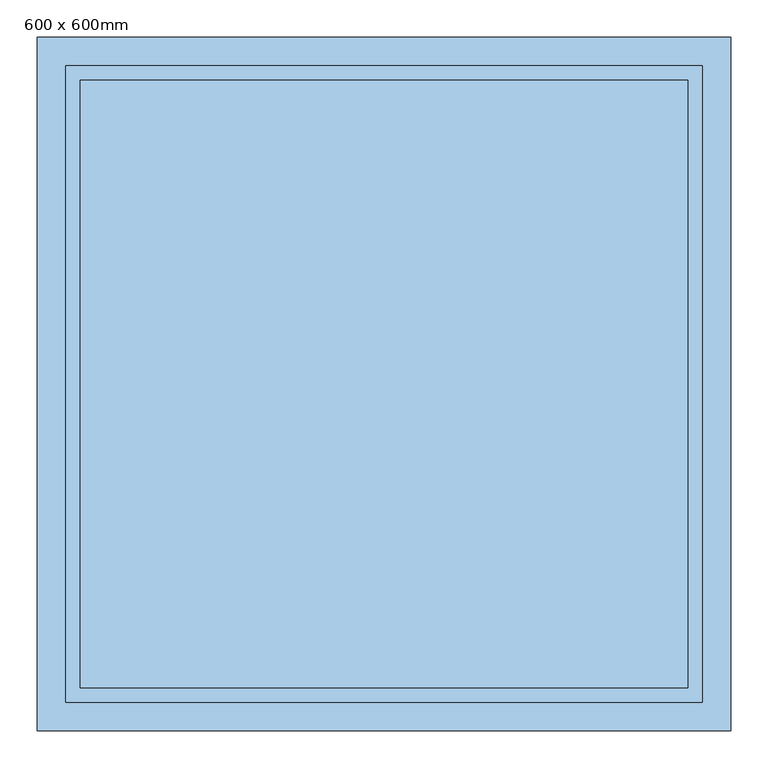
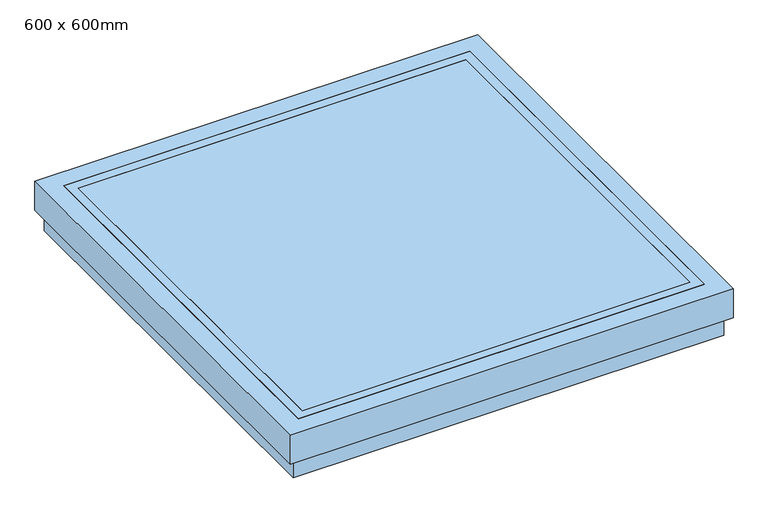
"""IFC4 building model written with IfcOpenShell, lengths in millimetres: window geometry, 600 x 600mm."""

import ifcopenshell
import ifcopenshell.guid

model = None  # the IFC model being written
_history = None  # IfcOwnerHistory: only IFC2X3 demands one
_inside = {}  # id of a spatial element -> (the spatial element, [elements in it])
_under = {}  # id of a project, library or spatial element -> (it, [spatial elements below it])
_declared = {}  # id of a project -> (the project, [libraries it declares])
_typed = {}  # id of a type object -> (the type object, [elements of that type])
_made_of = {}  # id of a material, layer set ... -> (it, [elements and type objects made of it])


def new_model(schema):
    """Start an empty IFC model of exactly this schema.

    Asked for "IFC4X3", IfcOpenShell would pick the latest addendum, in which some entities
    have other attributes; the version numbers below select the first issue.
    IFC2X3 requires an IfcOwnerHistory on every rooted entity: one is made here for all.
    """
    global model, _history
    if schema == "IFC4X3":
        model = ifcopenshell.file(schema_version=(4, 3, 0, 0))
    else:
        model = ifcopenshell.file(schema=schema)
    _inside.clear()
    _under.clear()
    _declared.clear()
    _typed.clear()
    _made_of.clear()
    _history = None
    if model.schema == "IFC2X3":
        org = make("IfcOrganization", Name="unknown")
        user = make(
            "IfcPersonAndOrganization",
            ThePerson=make("IfcPerson", FamilyName="unknown"),
            TheOrganization=org,
        )
        app = make(
            "IfcApplication",
            ApplicationDeveloper=org,
            Version="unknown",
            ApplicationFullName="unknown",
            ApplicationIdentifier="unknown",
        )
        _history = make(
            "IfcOwnerHistory",
            OwningUser=user,
            OwningApplication=app,
            ChangeAction="ADDED",
            CreationDate=0,
        )
    return model


def make(cls, **values):
    """One entity of the class cls with the attributes given. An attribute that is None is left unset."""
    return model.create_entity(
        cls, **{name: value for name, value in values.items() if value is not None}
    )


def rooted(cls, **values):
    """An entity with a GlobalId (a new one), such as an element, a storey or a relation."""
    return make(cls, GlobalId=ifcopenshell.guid.new(), OwnerHistory=_history, **values)


def si_unit(unit_type, name, prefix=None):
    """IfcSIUnit, for example si_unit("LENGTHUNIT", "METRE", prefix="MILLI")."""
    return make("IfcSIUnit", UnitType=unit_type, Prefix=prefix, Name=name)


def assignment(units):
    """IfcUnitAssignment: the units of a project."""
    return None if units is None else make("IfcUnitAssignment", Units=units)


def point(xyz):
    """IfcCartesianPoint."""
    return None if xyz is None else make("IfcCartesianPoint", Coordinates=xyz)


def direction(xyz):
    """IfcDirection."""
    return None if xyz is None else make("IfcDirection", DirectionRatios=xyz)


def frame(location, z_axis=None, x_axis=None):
    """IfcAxis2Placement3D, a coordinate frame: its origin and axes. An axis left out is left unset."""
    return make(
        "IfcAxis2Placement3D",
        Location=point(location),
        Axis=direction(z_axis),
        RefDirection=direction(x_axis),
    )


def origin():
    """The frame at (0, 0, 0) with its axes left unset."""
    return frame((0.0, 0.0, 0.0))


def place(relative_to, where):
    """IfcLocalPlacement: puts the frame where relative to a parent placement (None: the world)."""
    return make(
        "IfcLocalPlacement", PlacementRelTo=relative_to, RelativePlacement=where
    )


def context(
    kind, dimensions, precision=None, world=None, true_north=None, identifier=None
):
    """IfcGeometricRepresentationContext, for example the 3D "Model" context."""
    return make(
        "IfcGeometricRepresentationContext",
        ContextIdentifier=identifier,
        ContextType=kind,
        CoordinateSpaceDimension=dimensions,
        Precision=precision,
        WorldCoordinateSystem=world,
        TrueNorth=true_north,
    )


def project(units=None, contexts=None):
    """IfcProject with its units and contexts."""
    return rooted(
        "IfcProject",
        Name="project",
        RepresentationContexts=contexts,
        UnitsInContext=assignment(units),
    )


def spatial(cls, under=None, at=None, **own):
    """A site, building, storey or space (cls), placed at a placement, below another one or the project."""
    s = rooted(cls, ObjectPlacement=at, **own)
    if under is not None:
        _under.setdefault(under.id(), (under, []))[1].append(s)
    return s


def polyline(points):
    """IfcPolyline through the points."""
    return make("IfcPolyline", Points=[point(p) for p in points])


def outline(outer, holes=None, kind="AREA"):
    """IfcArbitraryClosedProfileDef: a profile drawn as a closed curve; with holes, ...WithVoids."""
    if holes is None:
        return make("IfcArbitraryClosedProfileDef", ProfileType=kind, OuterCurve=outer)
    return make(
        "IfcArbitraryProfileDefWithVoids",
        ProfileType=kind,
        OuterCurve=outer,
        InnerCurves=holes,
    )


def extrude(swept, where, along, depth):
    """IfcExtrudedAreaSolid: the profile swept, set in the frame where, extruded along a direction by depth."""
    return make(
        "IfcExtrudedAreaSolid",
        SweptArea=swept,
        Position=where,
        ExtrudedDirection=direction(along),
        Depth=depth,
    )


def faces_of(points, faces, orient=None, outer=None):
    """IfcFace entities. A face is a list of loops; a loop is a list of indices into points, from 0.

    orient and outer hold one flag for each loop. By default every Orientation is true, the
    first loop of a face is its IfcFaceOuterBound and the others are IfcFaceBound.
    """
    made = []
    for i, loops in enumerate(faces):
        bounds = []
        for j, loop in enumerate(loops):
            is_outer = j == 0 if outer is None else outer[i][j]
            bounds.append(
                make(
                    "IfcFaceOuterBound" if is_outer else "IfcFaceBound",
                    Bound=make("IfcPolyLoop", Polygon=[points[k] for k in loop]),
                    Orientation=True if orient is None else orient[i][j],
                )
            )
        made.append(make("IfcFace", Bounds=bounds))
    return made


def faceted_brep(points, faces, orient=None, outer=None, voids=None):
    """IfcFacetedBrep: a solid bounded by flat faces; with voids (closed shells), ...WithVoids."""
    shared = [point(p) for p in points]
    hull = make("IfcClosedShell", CfsFaces=faces_of(shared, faces, orient, outer))
    if voids is None:
        return make("IfcFacetedBrep", Outer=hull)
    return make(
        "IfcFacetedBrepWithVoids",
        Outer=hull,
        Voids=[
            make(cls, CfsFaces=faces_of(shared, fs, o, b)) for cls, fs, o, b in voids
        ],
    )


def shape(context_of_items, identifier, shape_type, items):
    """IfcShapeRepresentation: the items that make up one representation, for example the "Body"."""
    return make(
        "IfcShapeRepresentation",
        ContextOfItems=context_of_items,
        RepresentationIdentifier=identifier,
        RepresentationType=shape_type,
        Items=items,
    )


def source(mapping_origin, context_of_items, identifier, shape_type, items):
    """IfcRepresentationMap: a shape defined once, which mapped items show again and again."""
    return make(
        "IfcRepresentationMap",
        MappingOrigin=mapping_origin,
        MappedRepresentation=shape(context_of_items, identifier, shape_type, items),
    )


def transform(
    local_origin,
    x_axis=None,
    y_axis=None,
    z_axis=None,
    scale=None,
    scale2=None,
    scale3=None,
    uniform=True,
):
    """IfcCartesianTransformationOperator3D, or its non-uniform kind. x_axis, y_axis, z_axis: its Axis1, 2, 3."""
    if uniform:
        return make(
            "IfcCartesianTransformationOperator3D",
            Axis1=direction(x_axis),
            Axis2=direction(y_axis),
            LocalOrigin=point(local_origin),
            Scale=scale,
            Axis3=direction(z_axis),
        )
    return make(
        "IfcCartesianTransformationOperator3DnonUniform",
        Axis1=direction(x_axis),
        Axis2=direction(y_axis),
        LocalOrigin=point(local_origin),
        Scale=scale,
        Axis3=direction(z_axis),
        Scale2=scale2,
        Scale3=scale3,
    )


def mapped(mapping_source, mapping_target):
    """IfcMappedItem: shows the shape of a source again, moved by a transform."""
    return make(
        "IfcMappedItem", MappingSource=mapping_source, MappingTarget=mapping_target
    )


def made_of(thing, what):
    """Note that an element or type object is made of a material, layer set ...; save() writes the relation."""
    if what is not None:
        _made_of.setdefault(what.id(), (what, []))[1].append(thing)
    return thing


def element(
    cls,
    number,
    at=None,
    inside=None,
    cuts=None,
    type_object=None,
    material=None,
    context=None,
    identifier="Body",
    shape_type=None,
    held_by="IfcProductDefinitionShape",
    body=None,
    shapes=None,
    **own,
):
    """One element of the class cls, such as IfcWall. Its Tag is "e" and its number.

    at: its placement. inside: the storey or other place that contains it. cuts: it is an
    opening in that element (IfcRelVoidsElement). A single representation is given by context,
    identifier, shape_type and body (its items); several are given by shapes. held_by: the class
    of the entity that holds the representations. save() writes the other relations.
    """
    e = rooted(cls, Tag="e%d" % number, ObjectPlacement=at, **own)
    if body is not None:
        shapes = [shape(context, identifier, shape_type, body)]
    if shapes is not None:
        e.Representation = make(held_by, Representations=shapes)
    if inside is not None:
        _inside.setdefault(inside.id(), (inside, []))[1].append(e)
    if cuts is not None:
        rooted(
            "IfcRelVoidsElement", RelatingBuildingElement=cuts, RelatedOpeningElement=e
        )
    if type_object is not None:
        _typed.setdefault(type_object.id(), (type_object, []))[1].append(e)
    return made_of(e, material)


def aggregate(whole, parts):
    """IfcRelAggregates: a whole, such as a stair, and the parts it consists of."""
    return rooted("IfcRelAggregates", RelatingObject=whole, RelatedObjects=parts)


def save(model, path):
    """Write the relations noted so far, then the file.

    IfcRelAggregates (storeys below a building ...), IfcRelContainedInSpatialStructure (elements
    in a storey), IfcRelDefinesByType, IfcRelAssociatesMaterial and IfcRelDeclares: one each for
    every whole, place, type object, material and project.
    """
    for whole, parts in _under.values():
        aggregate(whole, parts)
    for where, things in _inside.values():
        rooted(
            "IfcRelContainedInSpatialStructure",
            RelatedElements=things,
            RelatingStructure=where,
        )
    for kind, things in _typed.values():
        rooted("IfcRelDefinesByType", RelatedObjects=things, RelatingType=kind)
    for what, things in _made_of.values():
        rooted("IfcRelAssociatesMaterial", RelatedObjects=things, RelatingMaterial=what)
    for by, libraries in _declared.values():
        rooted("IfcRelDeclares", RelatingContext=by, RelatedDefinitions=libraries)
    model.write(path)


def window_600_x_600mm_bdacfe0b(model_context):
    return source(origin(), model_context, "Body", "SolidModel", [
        faceted_brep([(424.6, 424.6, 3864.6), (424.6, 424.6, 3915.4), (424.6, -424.6, 3915.4), (424.6, -424.6, 3864.6), (386.5, 386.5, 3896.35), (386.5, 386.5, 3864.6), (386.5, -386.5, 3864.6), (386.5, -386.5, 3896.35), (405.55, 405.55, 3915.4), (405.55, 405.55, 3896.35), (405.55, -405.55, 3896.35), (405.55, -405.55, 3915.4), (-424.6, -424.6, 3915.4), (-424.6, -424.6, 3864.6), (-386.5, -386.5, 3864.6), (-386.5, -386.5, 3896.35), (-405.55, -405.55, 3896.35), (-405.55, -405.55, 3915.4), (-424.6, 424.6, 3915.4), (-424.6, 424.6, 3864.6), (-386.5, 386.5, 3864.6), (-386.5, 386.5, 3896.35), (-405.55, 405.55, 3896.35), (-405.55, 405.55, 3915.4)], [[[0, 1, 2, 3]], [[4, 5, 6, 7]], [[8, 9, 10, 11]], [[3, 2, 12, 13]], [[7, 6, 14, 15]], [[11, 10, 16, 17]], [[13, 12, 18, 19]], [[15, 14, 20, 21]], [[17, 16, 22, 23]], [[1, 18, 12, 2], [11, 17, 23, 8]], [[19, 18, 1, 0]], [[3, 13, 19, 0], [5, 20, 14, 6]], [[21, 20, 5, 4]], [[9, 22, 16, 10], [7, 15, 21, 4]], [[23, 22, 9, 8]]]),
        extrude(outline(polyline([(405.55, 405.55), (405.55, -405.55), (-405.55, -405.55), (-405.55, 405.55), (405.55, 405.55)])), frame((0.0, 0.0, 3909.84375), z_axis=(0.0, 0.0, 1.0), x_axis=(1.0, 0.0, 0.0)), (0.0, 0.0, 1.0), 5.55625),
        faceted_brep([(462.7, 462.7, 3851.9), (462.7, 462.7, 3915.4), (462.7, -462.7, 3915.4), (462.7, -462.7, 3851.9), (450.0, 450.0, 3890.0), (450.0, 450.0, 3851.9), (450.0, -450.0, 3851.9), (450.0, -450.0, 3890.0), (424.6, 424.6, 3915.4), (424.6, 424.6, 3890.0), (424.6, -424.6, 3890.0), (424.6, -424.6, 3915.4), (-462.7, -462.7, 3915.4), (-462.7, -462.7, 3851.9), (-450.0, -450.0, 3851.9), (-450.0, -450.0, 3890.0), (-424.6, -424.6, 3890.0), (-424.6, -424.6, 3915.4), (-462.7, 462.7, 3915.4), (-462.7, 462.7, 3851.9), (-450.0, 450.0, 3851.9), (-450.0, 450.0, 3890.0), (-424.6, 424.6, 3890.0), (-424.6, 424.6, 3915.4)], [[[0, 1, 2, 3]], [[4, 5, 6, 7]], [[8, 9, 10, 11]], [[3, 2, 12, 13]], [[7, 6, 14, 15]], [[11, 10, 16, 17]], [[13, 12, 18, 19]], [[15, 14, 20, 21]], [[17, 16, 22, 23]], [[1, 18, 12, 2], [11, 17, 23, 8]], [[19, 18, 1, 0]], [[3, 13, 19, 0], [5, 20, 14, 6]], [[21, 20, 5, 4]], [[7, 15, 21, 4], [9, 22, 16, 10]], [[23, 22, 9, 8]]]),
        faceted_brep([(450.0, 450.0, 3810.0), (450.0, 450.0, 3890.0), (450.0, -450.0, 3890.0), (450.0, -450.0, 3810.0), (386.5, 386.5, 3864.6), (386.5, 386.5, 3810.0), (386.5, -386.5, 3810.0), (386.5, -386.5, 3864.6), (424.6, 424.6, 3890.0), (424.6, 424.6, 3864.6), (424.6, -424.6, 3864.6), (424.6, -424.6, 3890.0), (-450.0, -450.0, 3890.0), (-450.0, -450.0, 3810.0), (-386.5, -386.5, 3810.0), (-386.5, -386.5, 3864.6), (-424.6, -424.6, 3864.6), (-424.6, -424.6, 3890.0), (-450.0, 450.0, 3890.0), (-450.0, 450.0, 3810.0), (-386.5, 386.5, 3810.0), (-386.5, 386.5, 3864.6), (-424.6, 424.6, 3864.6), (-424.6, 424.6, 3890.0)], [[[0, 1, 2, 3]], [[4, 5, 6, 7]], [[8, 9, 10, 11]], [[3, 2, 12, 13]], [[7, 6, 14, 15]], [[11, 10, 16, 17]], [[13, 12, 18, 19]], [[15, 14, 20, 21]], [[17, 16, 22, 23]], [[19, 18, 1, 0]], [[3, 13, 19, 0], [5, 20, 14, 6]], [[21, 20, 5, 4]], [[9, 22, 16, 10], [7, 15, 21, 4]], [[23, 22, 9, 8]], [[1, 18, 12, 2], [11, 17, 23, 8]]]),
    ])


if __name__ == "__main__":
    model = new_model("IFC4")
    model_context = context("Model", 3, world=origin())
    ifc_project = project(units=[si_unit("LENGTHUNIT", "METRE", prefix="MILLI")], contexts=[model_context])
    site = spatial("IfcSite", under=ifc_project)
    building = spatial("IfcBuilding", under=site)
    placement = place(None, origin())
    window_600_x_600mm_shape = window_600_x_600mm_bdacfe0b(model_context)
    element("IfcWindow", 1, ObjectType="600 x 600mm", at=placement, inside=building, context=model_context, shape_type="MappedRepresentation", body=[
        mapped(window_600_x_600mm_shape, transform((0.0, 0.0, 0.0), x_axis=(1.0, 0.0, 0.0), y_axis=(0.0, 1.0, 0.0), z_axis=(0.0, 0.0, 1.0))),
    ])
    save(model, "model.ifc")
